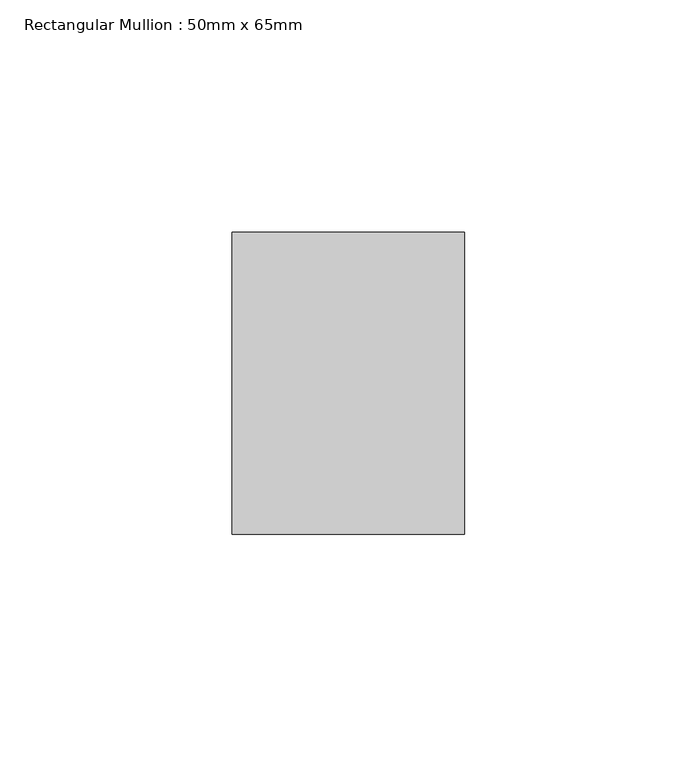
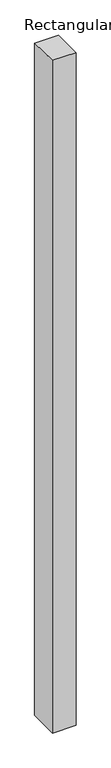
"""IFC4 building model written with IfcOpenShell, lengths in millimetres: member geometry, Rectangular Mullion : 50mm x 65mm."""

from ifc_helpers import new_model, si_unit, origin, place, context, project, spatial, faceted_brep, source, transform, mapped, element, save


def rectangular_mullion_50mm_x_65mm_8628ee82(model_context):
    return source(origin(), model_context, "Body", "Brep", [
        faceted_brep([(-25.0, 32.5, -0.4073265), (25.0, 32.5, -0.4073272), (25.0, 32.5, -1499.6949149), (-25.0, 32.5, -1499.6949154), (-25.0, -32.5, 0.4073272), (-25.0, -32.5, -1500.3063651), (25.0, -32.5, 0.4073265), (25.0, -32.5, -1500.3063645)], [[[0, 1, 2, 3]], [[4, 0, 3, 5]], [[6, 4, 5, 7]], [[1, 6, 7, 2]], [[1, 0, 4, 6]], [[2, 7, 5, 3]]]),
    ])


if __name__ == "__main__":
    model = new_model("IFC4")
    model_context = context("Model", 3, world=origin())
    ifc_project = project(units=[si_unit("LENGTHUNIT", "METRE", prefix="MILLI")], contexts=[model_context])
    site = spatial("IfcSite", under=ifc_project)
    building = spatial("IfcBuilding", under=site)
    placement = place(None, origin())
    rectangular_mullion_50mm_x_65mm_shape = rectangular_mullion_50mm_x_65mm_8628ee82(model_context)
    element("IfcMember", 1, ObjectType="Rectangular Mullion : 50mm x 65mm", at=placement, inside=building, context=model_context, shape_type="MappedRepresentation", body=[
        mapped(rectangular_mullion_50mm_x_65mm_shape, transform((0.0, 0.0, 0.0), x_axis=(1.0, 0.0, 0.0), y_axis=(0.0, 1.0, 0.0), z_axis=(0.0, 0.0, 1.0))),
    ])
    save(model, "model.ifc")
